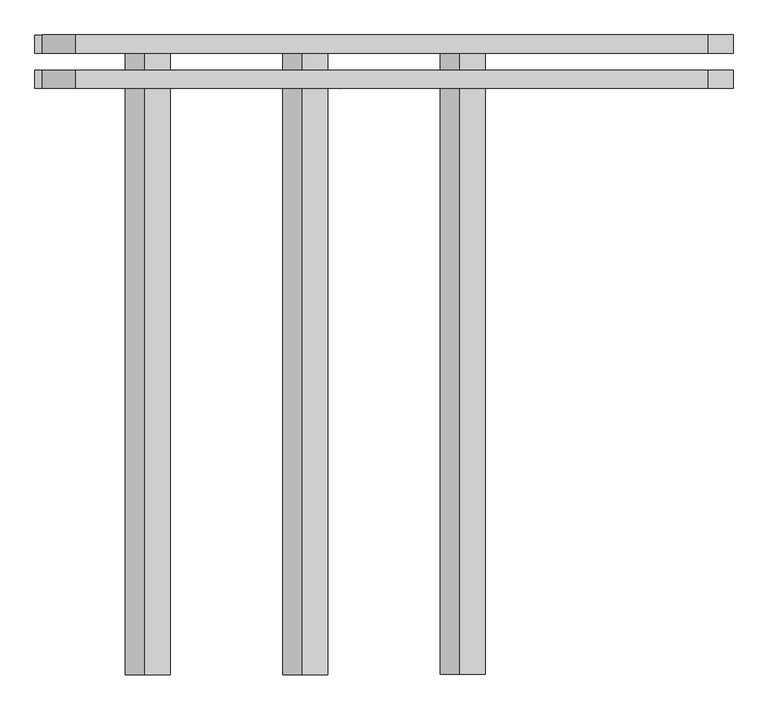
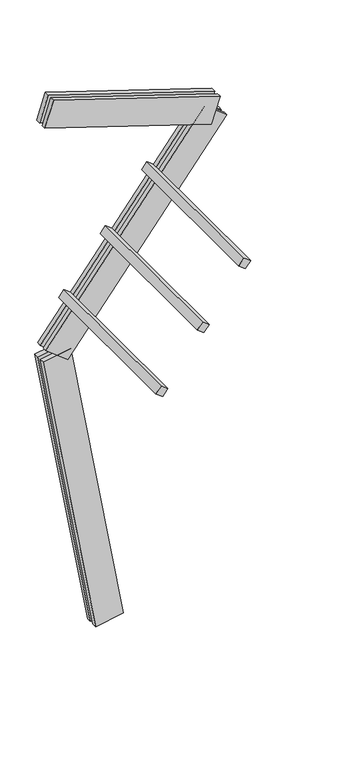
"""IFC4 building model written with IfcOpenShell, lengths in millimetres: proxy geometry."""

from ifc_helpers import new_model, si_unit, frame, origin, place, context, project, spatial, polyline, outline, extrude, source, transform, mapped, element, save


def generic_models_65fd06d8(model_context):
    return source(origin(), model_context, "Body", "SweptSolid", [
        extrude(outline(polyline([(0.0, -1500.0), (0.0, 0.0), (75.0, 0.0), (75.0, -1500.0), (0.0, -1500.0)])), frame((-380.1876403, 62.5, 3097.3175296), z_axis=(0.6156614753256588, 0.0, 0.7880107536067217), x_axis=(0.7880107536067217, 0.0, -0.6156614753256588)), (0.0, 0.0, 1.0), 75.0),
        extrude(outline(polyline([(0.0, -1500.0), (0.0, 0.0), (75.0, 0.0), (75.0, -1500.0), (0.0, -1500.0)])), frame((-10.7907551, 62.5, 3570.1239818), z_axis=(0.6156614753256588, 0.0, 0.7880107536067217), x_axis=(0.7880107536067217, 0.0, -0.6156614753256588)), (0.0, 0.0, 1.0), 75.0),
        extrude(outline(polyline([(0.0, -1500.0), (0.0, 0.0), (75.0, 0.0), (75.0, -1500.0), (0.0, -1500.0)])), frame((358.6061301, 62.5, 4042.930434), z_axis=(0.6156614753256588, 0.0, 0.7880107536067217), x_axis=(0.7880107536067217, 0.0, -0.6156614753256588)), (0.0, 0.0, 1.0), 75.0),
        extrude(outline(polyline([(1560.0000001, -125.0), (0.0, -125.0), (0.0, -82.5), (1560.0000001, -82.5), (1560.0000001, -125.0)])), frame((908.5441893, -62.5, 4352.5236019), z_axis=(0.30901699437495, 0.0, 0.9510565162951528), x_axis=(-0.9510565162951528, 0.0, 0.30901699437495)), (0.0, 0.0, 1.0), 250.0),
        extrude(outline(polyline([(0.0, 0.0), (1560.0000001, 0.0), (1560.0000001, -42.5), (0.0, -42.5), (0.0, 0.0)])), frame((908.5441893, -62.5, 4352.5236019), z_axis=(0.30901699437495, 0.0, 0.9510565162951528), x_axis=(-0.9510565162951528, 0.0, 0.30901699437495)), (0.0, 0.0, 1.0), 250.0),
        extrude(outline(polyline([(-125.0, -250.0), (-125.0, 0.0), (-82.5, 0.0), (-82.5, -250.0), (-125.0, -250.0)])), frame((-370.3487355, -62.5, 2582.0232487), z_axis=(0.6156614753256588, 0.0, 0.7880107536067217), x_axis=(0.0, -1.0, 0.0)), (0.0, 0.0, 1.0), 2300.0),
        extrude(outline(polyline([(0.0, 0.0), (0.0, -250.0), (-42.5, -250.0), (-42.5, 0.0), (0.0, 0.0)])), frame((-370.3487355, -62.5, 2582.0232487), z_axis=(0.6156614753256588, 0.0, 0.7880107536067217), x_axis=(0.0, -1.0, 0.0)), (0.0, 0.0, 1.0), 2300.0),
        extrude(outline(polyline([(-125.0, -249.9999999), (-125.0, 0.0), (-82.5, 0.0), (-82.5, -249.9999999), (-125.0, -249.9999999)])), frame((123.1009691, -62.5, 21.7060222), z_axis=(-0.17364817766693158, 0.0, 0.9848077530122079), x_axis=(0.0, -1.0, 0.0)), (0.0, 0.0, 1.0), 2700.0),
        extrude(outline(polyline([(0.0, 0.0), (0.0, -249.9999999), (-42.5, -249.9999999), (-42.5, 0.0), (0.0, 0.0)])), frame((123.1009691, -62.5, 21.7060222), z_axis=(-0.17364817766693158, 0.0, 0.9848077530122079), x_axis=(0.0, -1.0, 0.0)), (0.0, 0.0, 1.0), 2700.0),
    ])


if __name__ == "__main__":
    model = new_model("IFC4")
    model_context = context("Model", 3, world=origin())
    ifc_project = project(units=[si_unit("LENGTHUNIT", "METRE", prefix="MILLI")], contexts=[model_context])
    site = spatial("IfcSite", under=ifc_project)
    building = spatial("IfcBuilding", under=site)
    placement = place(None, origin())
    generic_models_shape = generic_models_65fd06d8(model_context)
    element("IfcBuildingElementProxy", 1, Name="Generic Models", at=placement, inside=building, context=model_context, shape_type="MappedRepresentation", body=[
        mapped(generic_models_shape, transform((0.0, 0.0, 0.0), x_axis=(1.0, 0.0, 0.0), y_axis=(0.0, 1.0, 0.0), z_axis=(0.0, 0.0, 1.0))),
    ])
    save(model, "model.ifc")
